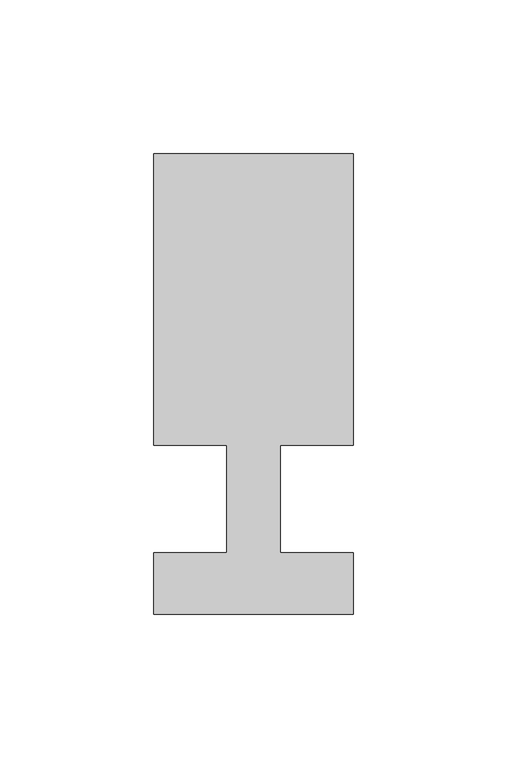
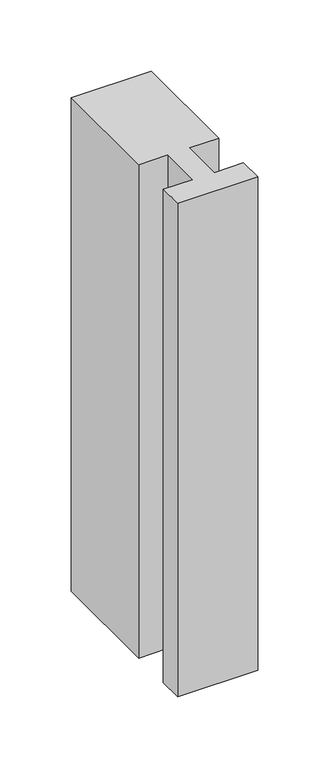
"""IFC4 building model written with IfcOpenShell, lengths in millimetres: member geometry."""

from ifc_helpers import new_model, si_unit, frame, origin, place, context, project, spatial, polyline, outline, extrude, source, transform, mapped, element, save


def member_c30614ad(model_context):
    return source(origin(), model_context, "Body", "SweptSolid", [
        extrude(outline(polyline([(0.0, -37.0), (-65.0, -37.0), (-65.0, -17.0), (-41.1875, -17.0), (-41.1875, 18.0), (-65.0, 18.0), (-65.0, 113.0), (0.0, 113.0), (0.0, 18.0), (-23.8125, 18.0), (-23.8125, -17.0), (0.0, -17.0), (0.0, -37.0)])), frame((0.0, 0.0, -423.8125), z_axis=(0.0, 0.0, 1.0), x_axis=(1.0, 0.0, 0.0)), (0.0, 0.0, 1.0), 423.8125),
    ])


if __name__ == "__main__":
    model = new_model("IFC4")
    model_context = context("Model", 3, world=origin())
    ifc_project = project(units=[si_unit("LENGTHUNIT", "METRE", prefix="MILLI")], contexts=[model_context])
    site = spatial("IfcSite", under=ifc_project)
    building = spatial("IfcBuilding", under=site)
    placement = place(None, origin())
    member_shape = member_c30614ad(model_context)
    element("IfcMember", 1, at=placement, inside=building, context=model_context, shape_type="MappedRepresentation", body=[
        mapped(member_shape, transform((0.0, 0.0, 0.0), x_axis=(1.0, 0.0, 0.0), y_axis=(0.0, 1.0, 0.0), z_axis=(0.0, 0.0, 1.0))),
    ])
    save(model, "model.ifc")
